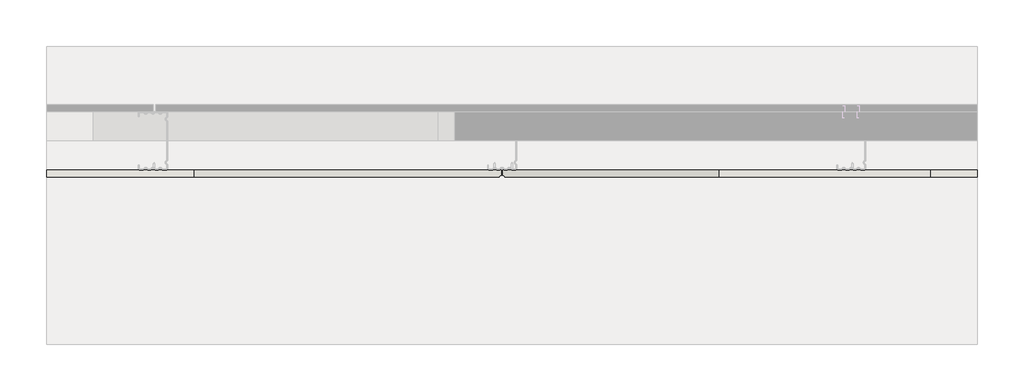
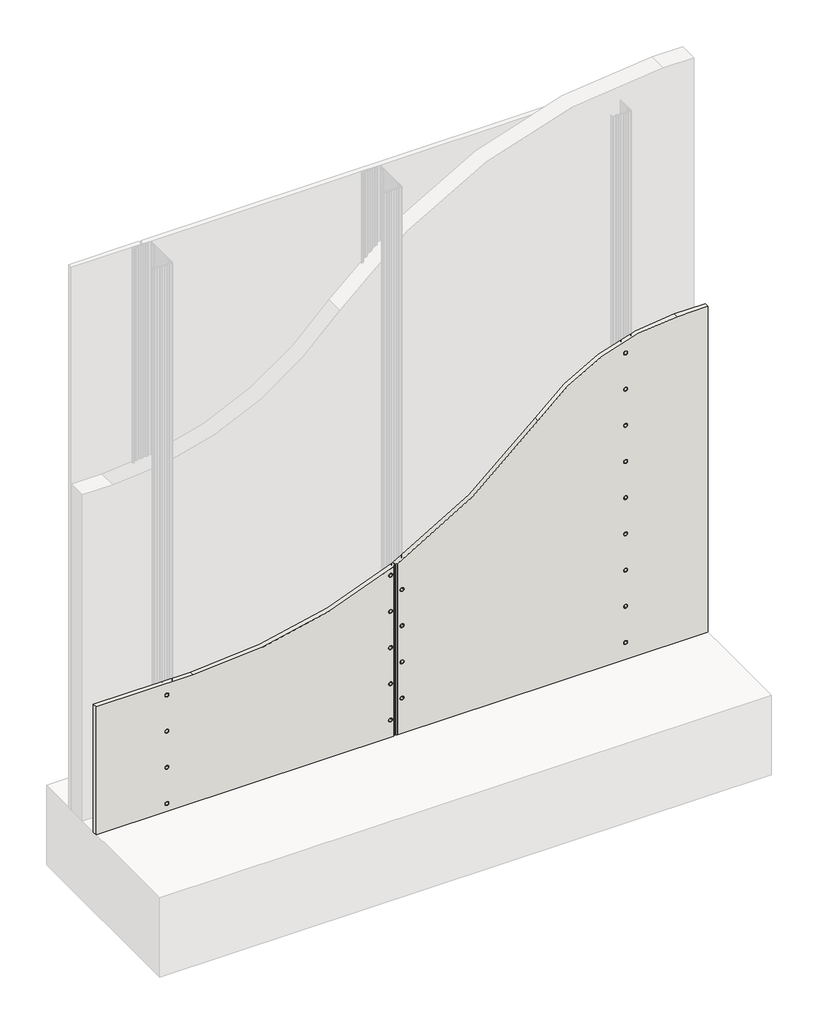
# One storey, part 2 of 3: 1 wall.
"""IFC4 building model written with IfcOpenShell, lengths in millimetres."""

from ifc_helpers import new_model, si_unit, frame, origin, place, context, project, spatial, polyline, circle_curve, ellipse_curve, element, save
from ifc_brep_helpers import plane_surface, cylinder_surface, revolved_surface, advanced_brep

model = new_model("IFC4")

# Units and contexts
model_context = context("Model", 3, world=origin())
ifc_project = project(units=[si_unit("LENGTHUNIT", "METRE", prefix="MILLI")], contexts=[model_context])

# Site, building, storey
site = spatial("IfcSite", under=ifc_project)
building = spatial("IfcBuilding", under=site)
storey = spatial("IfcBuildingStorey", under=building, Elevation=0.0)

# Wall
placement = place(None, origin())
element("IfcWall", 1, at=placement, inside=storey, context=model_context, shape_type="AdvancedBrep", body=[
    advanced_brep(
    [(8391.3841513, 382.143389, 0.0), (8391.3841513, 382.143389, 900.0), (8311.3841513, 382.143389, 900.0), (7947.2568941, 382.143389, 739.8453844), (7579.3099298, 382.143389, 473.3551488), (7579.3099298, 382.143389, 0.0), (7586.3841513, 382.143389, 197.6449286), (7596.3841513, 382.143389, 197.6449286), (7586.3841513, 382.143389, 297.6449286), (7596.3841513, 382.143389, 297.6449286), (7586.3841513, 382.143389, 397.6449286), (7596.3841513, 382.143389, 397.6449286), (7586.3841513, 382.143389, 97.6449286), (7596.3841513, 382.143389, 97.6449286), (8171.3841513, 382.143389, 46.5398923), (8181.3841513, 382.143389, 46.5398923), (8171.3841513, 382.143389, 146.5398923), (8181.3841513, 382.143389, 146.5398923), (8171.3841513, 382.143389, 246.5398923), (8181.3841513, 382.143389, 246.5398923), (8171.3841513, 382.143389, 346.5398923), (8181.3841513, 382.143389, 346.5398923), (8171.3841513, 382.143389, 446.5398923), (8181.3841513, 382.143389, 446.5398923), (8171.3841513, 382.143389, 546.5398923), (8181.3841513, 382.143389, 546.5398923), (8171.3841513, 382.143389, 646.5398923), (8181.3841513, 382.143389, 646.5398923), (8171.3841513, 382.143389, 746.5398923), (8181.3841513, 382.143389, 746.5398923), (8171.3841513, 382.143389, 846.5398923), (8181.3841513, 382.143389, 846.5398923), (8391.3841513, 394.643389, 900.0), (8391.3841513, 394.643389, 0.0), (7575.3099298, 394.643389, 0.0), (7575.3099298, 394.643389, 471.4646789), (7947.2568941, 394.643389, 739.8453844), (8311.3841513, 394.643389, 900.0), (7592.9756328, 394.643389, 197.6449286), (7589.7926697, 394.643389, 197.6449286), (7592.9756328, 394.643389, 297.6449286), (7589.7926697, 394.643389, 297.6449286), (7592.9756328, 394.643389, 397.6449286), (7589.7926697, 394.643389, 397.6449286), (7592.9756328, 394.643389, 97.6449286), (7589.7926697, 394.643389, 97.6449286), (8177.9756328, 394.643389, 46.5398923), (8174.7926697, 394.643389, 46.5398923), (8177.9756328, 394.643389, 146.5398923), (8174.7926697, 394.643389, 146.5398923), (8177.9756328, 394.643389, 246.5398923), (8174.7926697, 394.643389, 246.5398923), (8177.9756328, 394.643389, 346.5398923), (8174.7926697, 394.643389, 346.5398923), (8177.9756328, 394.643389, 446.5398923), (8174.7926697, 394.643389, 446.5398923), (8177.9756328, 394.643389, 546.5398923), (8174.7926697, 394.643389, 546.5398923), (8177.9756328, 394.643389, 646.5398923), (8174.7926697, 394.643389, 646.5398923), (8177.9756328, 394.643389, 746.5398923), (8174.7926697, 394.643389, 746.5398923), (8177.9756328, 394.643389, 846.5398923), (8174.7926697, 394.643389, 846.5398923), (7579.3099298, 383.143389, 0.0), (7576.154, 384.643389, 0.0), (7575.3099298, 384.643389, 0.0), (7575.3099298, 384.643389, 471.4646789), (7576.154, 384.643389, 471.8621539), (7579.3099298, 383.143389, 473.3551488), (7589.5185432, 383.9530311, 197.6449286), (7593.2497593, 383.9530311, 197.6449286), (7589.5185432, 383.9530311, 297.6449286), (7593.2497593, 383.9530311, 297.6449286), (7589.5185432, 383.9530311, 397.6449286), (7593.2497593, 383.9530311, 397.6449286), (7589.5185432, 383.9530311, 97.6449286), (7593.2497593, 383.9530311, 97.6449286), (8174.5185432, 383.9530311, 46.5398923), (8178.2497593, 383.9530311, 46.5398923), (8174.5185432, 383.9530311, 146.5398923), (8178.2497593, 383.9530311, 146.5398923), (8174.5185432, 383.9530311, 246.5398923), (8178.2497593, 383.9530311, 246.5398923), (8174.5185432, 383.9530311, 346.5398923), (8178.2497593, 383.9530311, 346.5398923), (8174.5185432, 383.9530311, 446.5398923), (8178.2497593, 383.9530311, 446.5398923), (8174.5185432, 383.9530311, 546.5398923), (8178.2497593, 383.9530311, 546.5398923), (8174.5185432, 383.9530311, 646.5398923), (8178.2497593, 383.9530311, 646.5398923), (8174.5185432, 383.9530311, 746.5398923), (8178.2497593, 383.9530311, 746.5398923), (8174.5185432, 383.9530311, 846.5398923), (8178.2497593, 383.9530311, 846.5398923)],
    [
        (0, 1),
        (1, 2),
        (2, 3, circle_curve(frame((8311.3841513, 382.143389, 405.9831409), z_axis=(0.0, -1.0, 0.0), x_axis=(-1.0, 0.0, 0.0)), 494.0168591)),
        (3, 4, circle_curve(frame((7045.4993216, 382.143389, 1597.6552537), z_axis=(0.0, 1.0, 0.0), x_axis=(-1.0, 0.0, 0.0)), 1244.5900897)),
        (4, 5),
        (5, 0),
        (6, 7, circle_curve(frame((7591.3841513, 382.143389, 197.6449286), z_axis=(0.0, 1.0, 0.0), x_axis=(1.0, 0.0, 0.0)), 5.0)),
        (7, 6, circle_curve(frame((7591.3841513, 382.143389, 197.6449286), z_axis=(0.0, 1.0, 0.0), x_axis=(1.0, 0.0, 0.0)), 5.0)),
        (8, 9, circle_curve(frame((7591.3841513, 382.143389, 297.6449286), z_axis=(0.0, 1.0, 0.0), x_axis=(1.0, 0.0, 0.0)), 5.0)),
        (9, 8, circle_curve(frame((7591.3841513, 382.143389, 297.6449286), z_axis=(0.0, 1.0, 0.0), x_axis=(1.0, 0.0, 0.0)), 5.0)),
        (10, 11, circle_curve(frame((7591.3841513, 382.143389, 397.6449286), z_axis=(0.0, 1.0, 0.0), x_axis=(1.0, 0.0, 0.0)), 5.0)),
        (11, 10, circle_curve(frame((7591.3841513, 382.143389, 397.6449286), z_axis=(0.0, 1.0, 0.0), x_axis=(1.0, 0.0, 0.0)), 5.0)),
        (12, 13, circle_curve(frame((7591.3841513, 382.143389, 97.6449286), z_axis=(0.0, 1.0, 0.0), x_axis=(1.0, 0.0, 0.0)), 5.0)),
        (13, 12, circle_curve(frame((7591.3841513, 382.143389, 97.6449286), z_axis=(0.0, 1.0, 0.0), x_axis=(1.0, 0.0, 0.0)), 5.0)),
        (14, 15, circle_curve(frame((8176.3841513, 382.143389, 46.5398923), z_axis=(0.0, 1.0, 0.0), x_axis=(1.0, 0.0, 0.0)), 5.0)),
        (15, 14, circle_curve(frame((8176.3841513, 382.143389, 46.5398923), z_axis=(0.0, 1.0, 0.0), x_axis=(1.0, 0.0, 0.0)), 5.0)),
        (16, 17, circle_curve(frame((8176.3841513, 382.143389, 146.5398923), z_axis=(0.0, 1.0, 0.0), x_axis=(1.0, 0.0, 0.0)), 5.0)),
        (17, 16, circle_curve(frame((8176.3841513, 382.143389, 146.5398923), z_axis=(0.0, 1.0, 0.0), x_axis=(1.0, 0.0, 0.0)), 5.0)),
        (18, 19, circle_curve(frame((8176.3841513, 382.143389, 246.5398923), z_axis=(0.0, 1.0, 0.0), x_axis=(1.0, 0.0, 0.0)), 5.0)),
        (19, 18, circle_curve(frame((8176.3841513, 382.143389, 246.5398923), z_axis=(0.0, 1.0, 0.0), x_axis=(1.0, 0.0, 0.0)), 5.0)),
        (20, 21, circle_curve(frame((8176.3841513, 382.143389, 346.5398923), z_axis=(0.0, 1.0, 0.0), x_axis=(1.0, 0.0, 0.0)), 5.0)),
        (21, 20, circle_curve(frame((8176.3841513, 382.143389, 346.5398923), z_axis=(0.0, 1.0, 0.0), x_axis=(1.0, 0.0, 0.0)), 5.0)),
        (22, 23, circle_curve(frame((8176.3841513, 382.143389, 446.5398923), z_axis=(0.0, 1.0, 0.0), x_axis=(1.0, 0.0, 0.0)), 5.0)),
        (23, 22, circle_curve(frame((8176.3841513, 382.143389, 446.5398923), z_axis=(0.0, 1.0, 0.0), x_axis=(1.0, 0.0, 0.0)), 5.0)),
        (24, 25, circle_curve(frame((8176.3841513, 382.143389, 546.5398923), z_axis=(0.0, 1.0, 0.0), x_axis=(1.0, 0.0, 0.0)), 5.0)),
        (25, 24, circle_curve(frame((8176.3841513, 382.143389, 546.5398923), z_axis=(0.0, 1.0, 0.0), x_axis=(1.0, 0.0, 0.0)), 5.0)),
        (26, 27, circle_curve(frame((8176.3841513, 382.143389, 646.5398923), z_axis=(0.0, 1.0, 0.0), x_axis=(1.0, 0.0, 0.0)), 5.0)),
        (27, 26, circle_curve(frame((8176.3841513, 382.143389, 646.5398923), z_axis=(0.0, 1.0, 0.0), x_axis=(1.0, 0.0, 0.0)), 5.0)),
        (28, 29, circle_curve(frame((8176.3841513, 382.143389, 746.5398923), z_axis=(0.0, 1.0, 0.0), x_axis=(1.0, 0.0, 0.0)), 5.0)),
        (29, 28, circle_curve(frame((8176.3841513, 382.143389, 746.5398923), z_axis=(0.0, 1.0, 0.0), x_axis=(1.0, 0.0, 0.0)), 5.0)),
        (30, 31, circle_curve(frame((8176.3841513, 382.143389, 846.5398923), z_axis=(0.0, 1.0, 0.0), x_axis=(1.0, 0.0, 0.0)), 5.0)),
        (31, 30, circle_curve(frame((8176.3841513, 382.143389, 846.5398923), z_axis=(0.0, 1.0, 0.0), x_axis=(1.0, 0.0, 0.0)), 5.0)),
        (32, 33),
        (33, 34),
        (34, 35),
        (35, 36, circle_curve(frame((7045.4993216, 394.643389, 1597.6552537), z_axis=(0.0, -1.0, 0.0), x_axis=(-1.0, 0.0, 0.0)), 1244.5900897)),
        (36, 37, circle_curve(frame((8311.3841513, 394.643389, 405.9831409), z_axis=(0.0, 1.0, 0.0), x_axis=(-1.0, 0.0, 0.0)), 494.0168591)),
        (37, 32),
        (38, 39, circle_curve(frame((7591.3841513, 394.643389, 197.6449286), z_axis=(0.0, -1.0, 0.0), x_axis=(1.0, 0.0, 0.0)), 1.5914815)),
        (39, 38, circle_curve(frame((7591.3841513, 394.643389, 197.6449286), z_axis=(0.0, -1.0, 0.0), x_axis=(1.0, 0.0, 0.0)), 1.5914815)),
        (40, 41, circle_curve(frame((7591.3841513, 394.643389, 297.6449286), z_axis=(0.0, -1.0, 0.0), x_axis=(1.0, 0.0, 0.0)), 1.5914815)),
        (41, 40, circle_curve(frame((7591.3841513, 394.643389, 297.6449286), z_axis=(0.0, -1.0, 0.0), x_axis=(1.0, 0.0, 0.0)), 1.5914815)),
        (42, 43, circle_curve(frame((7591.3841513, 394.643389, 397.6449286), z_axis=(0.0, -1.0, 0.0), x_axis=(1.0, 0.0, 0.0)), 1.5914815)),
        (43, 42, circle_curve(frame((7591.3841513, 394.643389, 397.6449286), z_axis=(0.0, -1.0, 0.0), x_axis=(1.0, 0.0, 0.0)), 1.5914815)),
        (44, 45, circle_curve(frame((7591.3841513, 394.643389, 97.6449286), z_axis=(0.0, -1.0, 0.0), x_axis=(1.0, 0.0, 0.0)), 1.5914815)),
        (45, 44, circle_curve(frame((7591.3841513, 394.643389, 97.6449286), z_axis=(0.0, -1.0, 0.0), x_axis=(1.0, 0.0, 0.0)), 1.5914815)),
        (46, 47, circle_curve(frame((8176.3841513, 394.643389, 46.5398923), z_axis=(0.0, -1.0, 0.0), x_axis=(1.0, 0.0, 0.0)), 1.5914815)),
        (47, 46, circle_curve(frame((8176.3841513, 394.643389, 46.5398923), z_axis=(0.0, -1.0, 0.0), x_axis=(1.0, 0.0, 0.0)), 1.5914815)),
        (48, 49, circle_curve(frame((8176.3841513, 394.643389, 146.5398923), z_axis=(0.0, -1.0, 0.0), x_axis=(1.0, 0.0, 0.0)), 1.5914815)),
        (49, 48, circle_curve(frame((8176.3841513, 394.643389, 146.5398923), z_axis=(0.0, -1.0, 0.0), x_axis=(1.0, 0.0, 0.0)), 1.5914815)),
        (50, 51, circle_curve(frame((8176.3841513, 394.643389, 246.5398923), z_axis=(0.0, -1.0, 0.0), x_axis=(1.0, 0.0, 0.0)), 1.5914815)),
        (51, 50, circle_curve(frame((8176.3841513, 394.643389, 246.5398923), z_axis=(0.0, -1.0, 0.0), x_axis=(1.0, 0.0, 0.0)), 1.5914815)),
        (52, 53, circle_curve(frame((8176.3841513, 394.643389, 346.5398923), z_axis=(0.0, -1.0, 0.0), x_axis=(1.0, 0.0, 0.0)), 1.5914815)),
        (53, 52, circle_curve(frame((8176.3841513, 394.643389, 346.5398923), z_axis=(0.0, -1.0, 0.0), x_axis=(1.0, 0.0, 0.0)), 1.5914815)),
        (54, 55, circle_curve(frame((8176.3841513, 394.643389, 446.5398923), z_axis=(0.0, -1.0, 0.0), x_axis=(1.0, 0.0, 0.0)), 1.5914815)),
        (55, 54, circle_curve(frame((8176.3841513, 394.643389, 446.5398923), z_axis=(0.0, -1.0, 0.0), x_axis=(1.0, 0.0, 0.0)), 1.5914815)),
        (56, 57, circle_curve(frame((8176.3841513, 394.643389, 546.5398923), z_axis=(0.0, -1.0, 0.0), x_axis=(1.0, 0.0, 0.0)), 1.5914815)),
        (57, 56, circle_curve(frame((8176.3841513, 394.643389, 546.5398923), z_axis=(0.0, -1.0, 0.0), x_axis=(1.0, 0.0, 0.0)), 1.5914815)),
        (58, 59, circle_curve(frame((8176.3841513, 394.643389, 646.5398923), z_axis=(0.0, -1.0, 0.0), x_axis=(1.0, 0.0, 0.0)), 1.5914815)),
        (59, 58, circle_curve(frame((8176.3841513, 394.643389, 646.5398923), z_axis=(0.0, -1.0, 0.0), x_axis=(1.0, 0.0, 0.0)), 1.5914815)),
        (60, 61, circle_curve(frame((8176.3841513, 394.643389, 746.5398923), z_axis=(0.0, -1.0, 0.0), x_axis=(1.0, 0.0, 0.0)), 1.5914815)),
        (61, 60, circle_curve(frame((8176.3841513, 394.643389, 746.5398923), z_axis=(0.0, -1.0, 0.0), x_axis=(1.0, 0.0, 0.0)), 1.5914815)),
        (62, 63, circle_curve(frame((8176.3841513, 394.643389, 846.5398923), z_axis=(0.0, -1.0, 0.0), x_axis=(1.0, 0.0, 0.0)), 1.5914815)),
        (63, 62, circle_curve(frame((8176.3841513, 394.643389, 846.5398923), z_axis=(0.0, -1.0, 0.0), x_axis=(1.0, 0.0, 0.0)), 1.5914815)),
        (33, 0),
        (5, 64),
        (64, 65),
        (65, 66),
        (66, 34),
        (32, 1),
        (37, 2),
        (36, 3),
        (35, 67),
        (67, 68, circle_curve(frame((7045.4993216, 384.643389, 1597.6552537), z_axis=(0.0, -1.0, 0.0), x_axis=(-1.0, 0.0, 0.0)), 1244.5900897)),
        (68, 69, ellipse_curve(frame((7045.4993216, 636.8612969, 1597.6552537), z_axis=(-0.42927473522914245, -0.9031739598183451, 0.0), x_axis=(-0.9031739598183451, 0.4292747352291423, 0.0)), 1378.0181284, 1244.5900897)),
        (69, 4),
        (69, 64),
        (68, 65),
        (67, 66),
        (6, 70),
        (70, 71, circle_curve(frame((7591.3841513, 383.9530311, 197.6449286), z_axis=(0.0, 1.0, 0.0), x_axis=(1.0, 0.0, 0.0)), 1.865608)),
        (71, 7),
        (71, 70, circle_curve(frame((7591.3841513, 383.9530311, 197.6449286), z_axis=(0.0, 1.0, 0.0), x_axis=(1.0, 0.0, 0.0)), 1.865608)),
        (70, 39),
        (38, 71),
        (8, 72),
        (72, 73, circle_curve(frame((7591.3841513, 383.9530311, 297.6449286), z_axis=(0.0, 1.0, 0.0), x_axis=(1.0, 0.0, 0.0)), 1.865608)),
        (73, 9),
        (73, 72, circle_curve(frame((7591.3841513, 383.9530311, 297.6449286), z_axis=(0.0, 1.0, 0.0), x_axis=(1.0, 0.0, 0.0)), 1.865608)),
        (72, 41),
        (40, 73),
        (10, 74),
        (74, 75, circle_curve(frame((7591.3841513, 383.9530311, 397.6449286), z_axis=(0.0, 1.0, 0.0), x_axis=(1.0, 0.0, 0.0)), 1.865608)),
        (75, 11),
        (75, 74, circle_curve(frame((7591.3841513, 383.9530311, 397.6449286), z_axis=(0.0, 1.0, 0.0), x_axis=(1.0, 0.0, 0.0)), 1.865608)),
        (74, 43),
        (42, 75),
        (12, 76),
        (76, 77, circle_curve(frame((7591.3841513, 383.9530311, 97.6449286), z_axis=(0.0, 1.0, 0.0), x_axis=(1.0, 0.0, 0.0)), 1.865608)),
        (77, 13),
        (77, 76, circle_curve(frame((7591.3841513, 383.9530311, 97.6449286), z_axis=(0.0, 1.0, 0.0), x_axis=(1.0, 0.0, 0.0)), 1.865608)),
        (76, 45),
        (44, 77),
        (14, 78),
        (78, 79, circle_curve(frame((8176.3841513, 383.9530311, 46.5398923), z_axis=(0.0, 1.0, 0.0), x_axis=(1.0, 0.0, 0.0)), 1.865608)),
        (79, 15),
        (79, 78, circle_curve(frame((8176.3841513, 383.9530311, 46.5398923), z_axis=(0.0, 1.0, 0.0), x_axis=(1.0, 0.0, 0.0)), 1.865608)),
        (78, 47),
        (46, 79),
        (16, 80),
        (80, 81, circle_curve(frame((8176.3841513, 383.9530311, 146.5398923), z_axis=(0.0, 1.0, 0.0), x_axis=(1.0, 0.0, 0.0)), 1.865608)),
        (81, 17),
        (81, 80, circle_curve(frame((8176.3841513, 383.9530311, 146.5398923), z_axis=(0.0, 1.0, 0.0), x_axis=(1.0, 0.0, 0.0)), 1.865608)),
        (80, 49),
        (48, 81),
        (18, 82),
        (82, 83, circle_curve(frame((8176.3841513, 383.9530311, 246.5398923), z_axis=(0.0, 1.0, 0.0), x_axis=(1.0, 0.0, 0.0)), 1.865608)),
        (83, 19),
        (83, 82, circle_curve(frame((8176.3841513, 383.9530311, 246.5398923), z_axis=(0.0, 1.0, 0.0), x_axis=(1.0, 0.0, 0.0)), 1.865608)),
        (82, 51),
        (50, 83),
        (20, 84),
        (84, 85, circle_curve(frame((8176.3841513, 383.9530311, 346.5398923), z_axis=(0.0, 1.0, 0.0), x_axis=(1.0, 0.0, 0.0)), 1.865608)),
        (85, 21),
        (85, 84, circle_curve(frame((8176.3841513, 383.9530311, 346.5398923), z_axis=(0.0, 1.0, 0.0), x_axis=(1.0, 0.0, 0.0)), 1.865608)),
        (84, 53),
        (52, 85),
        (22, 86),
        (86, 87, circle_curve(frame((8176.3841513, 383.9530311, 446.5398923), z_axis=(0.0, 1.0, 0.0), x_axis=(1.0, 0.0, 0.0)), 1.865608)),
        (87, 23),
        (87, 86, circle_curve(frame((8176.3841513, 383.9530311, 446.5398923), z_axis=(0.0, 1.0, 0.0), x_axis=(1.0, 0.0, 0.0)), 1.865608)),
        (86, 55),
        (54, 87),
        (24, 88),
        (88, 89, circle_curve(frame((8176.3841513, 383.9530311, 546.5398923), z_axis=(0.0, 1.0, 0.0), x_axis=(1.0, 0.0, 0.0)), 1.865608)),
        (89, 25),
        (89, 88, circle_curve(frame((8176.3841513, 383.9530311, 546.5398923), z_axis=(0.0, 1.0, 0.0), x_axis=(1.0, 0.0, 0.0)), 1.865608)),
        (88, 57),
        (56, 89),
        (26, 90),
        (90, 91, circle_curve(frame((8176.3841513, 383.9530311, 646.5398923), z_axis=(0.0, 1.0, 0.0), x_axis=(1.0, 0.0, 0.0)), 1.865608)),
        (91, 27),
        (91, 90, circle_curve(frame((8176.3841513, 383.9530311, 646.5398923), z_axis=(0.0, 1.0, 0.0), x_axis=(1.0, 0.0, 0.0)), 1.865608)),
        (90, 59),
        (58, 91),
        (28, 92),
        (92, 93, circle_curve(frame((8176.3841513, 383.9530311, 746.5398923), z_axis=(0.0, 1.0, 0.0), x_axis=(1.0, 0.0, 0.0)), 1.865608)),
        (93, 29),
        (93, 92, circle_curve(frame((8176.3841513, 383.9530311, 746.5398923), z_axis=(0.0, 1.0, 0.0), x_axis=(1.0, 0.0, 0.0)), 1.865608)),
        (92, 61),
        (60, 93),
        (30, 94),
        (94, 95, circle_curve(frame((8176.3841513, 383.9530311, 846.5398923), z_axis=(0.0, 1.0, 0.0), x_axis=(1.0, 0.0, 0.0)), 1.865608)),
        (95, 31),
        (95, 94, circle_curve(frame((8176.3841513, 383.9530311, 846.5398923), z_axis=(0.0, 1.0, 0.0), x_axis=(1.0, 0.0, 0.0)), 1.865608)),
        (94, 63),
        (62, 95),
    ],
    [
        plane_surface(frame((6791.3841513, 382.143389, 0.0), z_axis=(0.0, -1.0, 0.0), x_axis=(1.0, 0.0, 0.0))),
        plane_surface(frame((6791.3841513, 394.643389, 0.0), z_axis=(0.0, 1.0, 0.0), x_axis=(-1.0, 0.0, 0.0))),
        plane_surface(frame((6791.3841513, 382.143389, 0.0), z_axis=(0.0, 0.0, -1.0), x_axis=(0.0, 1.0, 0.0))),
        plane_surface(frame((8391.3841513, 382.143389, 0.0), z_axis=(1.0, 0.0, 0.0), x_axis=(0.0, 1.0, 0.0))),
        plane_surface(frame((8391.3841513, 382.143389, 900.0), z_axis=(0.0, 0.0, 1.0), x_axis=(0.0, 1.0, 0.0))),
        cylinder_surface(frame((8311.3841513, 394.643389, 405.9831409), z_axis=(0.0, -1.0, 0.0), x_axis=(-1.0, 0.0, 0.0)), 494.0168591),
        revolved_surface(polyline([(5800.9092319, 1228.4096641098681, 1597.6552537), (5800.9092319, 45.312929690131796, 1597.6552537)]), (7045.4993216, 394.643389, 1597.6552537), (0.0, 1.0, 0.0)),
        plane_surface(frame((7579.3099298, 382.143389, 1000.0), z_axis=(-1.0, 0.0, 0.0), x_axis=(0.0, 0.0, -1.0))),
        plane_surface(frame((7579.3099298, 383.143389, 1000.0), z_axis=(-0.42927473522914245, -0.9031739598183451, 0.0), x_axis=(0.0, 0.0, -1.0))),
        plane_surface(frame((7576.154, 384.643389, 1000.0), z_axis=(0.0, -1.0, 0.0), x_axis=(0.0, 0.0, -1.0))),
        plane_surface(frame((7575.3099298, 384.643389, 1000.0), z_axis=(-1.0, 0.0, 0.0), x_axis=(0.0, 0.0, -1.0))),
        revolved_surface(polyline([(7596.3841513, 382.143389, 197.6449286), (7593.2497593, 383.9530311, 197.6449286)]), (7591.3841513, 1382.143389, 197.6449286), (0.0, -1.0, 0.0)),
        revolved_surface(polyline([(7593.2497593, 383.9530311, 197.6449286), (7592.6894783, 405.8028125, 197.6449286)]), (7591.3841513, 1382.143389, 197.6449286), (0.0, -1.0, 0.0)),
        revolved_surface(polyline([(7596.3841513, 382.143389, 297.6449286), (7593.2497593, 383.9530311, 297.6449286)]), (7591.3841513, 1382.143389, 297.6449286), (0.0, -1.0, 0.0)),
        revolved_surface(polyline([(7593.2497593, 383.9530311, 297.6449286), (7592.6894783, 405.8028125, 297.6449286)]), (7591.3841513, 1382.143389, 297.6449286), (0.0, -1.0, 0.0)),
        revolved_surface(polyline([(7596.3841513, 382.143389, 397.6449286), (7593.2497593, 383.9530311, 397.6449286)]), (7591.3841513, 1382.143389, 397.6449286), (0.0, -1.0, 0.0)),
        revolved_surface(polyline([(7593.2497593, 383.9530311, 397.6449286), (7592.6894783, 405.8028125, 397.6449286)]), (7591.3841513, 1382.143389, 397.6449286), (0.0, -1.0, 0.0)),
        revolved_surface(polyline([(7596.3841513, 382.143389, 97.6449286), (7593.2497593, 383.9530311, 97.6449286)]), (7591.3841513, 1382.143389, 97.6449286), (0.0, -1.0, 0.0)),
        revolved_surface(polyline([(7593.2497593, 383.9530311, 97.6449286), (7592.6894783, 405.8028125, 97.6449286)]), (7591.3841513, 1382.143389, 97.6449286), (0.0, -1.0, 0.0)),
        revolved_surface(polyline([(8181.3841513, 382.143389, 46.5398923), (8178.2497593, 383.9530311, 46.5398923)]), (8176.3841513, 1382.143389, 46.5398923), (0.0, -1.0, 0.0)),
        revolved_surface(polyline([(8178.2497593, 383.9530311, 46.5398923), (8177.6894783, 405.8028125, 46.5398923)]), (8176.3841513, 1382.143389, 46.5398923), (0.0, -1.0, 0.0)),
        revolved_surface(polyline([(8181.3841513, 382.143389, 146.5398923), (8178.2497593, 383.9530311, 146.5398923)]), (8176.3841513, 1382.143389, 146.5398923), (0.0, -1.0, 0.0)),
        revolved_surface(polyline([(8178.2497593, 383.9530311, 146.5398923), (8177.6894783, 405.8028125, 146.5398923)]), (8176.3841513, 1382.143389, 146.5398923), (0.0, -1.0, 0.0)),
        revolved_surface(polyline([(8181.3841513, 382.143389, 246.5398923), (8178.2497593, 383.9530311, 246.5398923)]), (8176.3841513, 1382.143389, 246.5398923), (0.0, -1.0, 0.0)),
        revolved_surface(polyline([(8178.2497593, 383.9530311, 246.5398923), (8177.6894783, 405.8028125, 246.5398923)]), (8176.3841513, 1382.143389, 246.5398923), (0.0, -1.0, 0.0)),
        revolved_surface(polyline([(8181.3841513, 382.143389, 346.5398923), (8178.2497593, 383.9530311, 346.5398923)]), (8176.3841513, 1382.143389, 346.5398923), (0.0, -1.0, 0.0)),
        revolved_surface(polyline([(8178.2497593, 383.9530311, 346.5398923), (8177.6894783, 405.8028125, 346.5398923)]), (8176.3841513, 1382.143389, 346.5398923), (0.0, -1.0, 0.0)),
        revolved_surface(polyline([(8181.3841513, 382.143389, 446.5398923), (8178.2497593, 383.9530311, 446.5398923)]), (8176.3841513, 1382.143389, 446.5398923), (0.0, -1.0, 0.0)),
        revolved_surface(polyline([(8178.2497593, 383.9530311, 446.5398923), (8177.6894783, 405.8028125, 446.5398923)]), (8176.3841513, 1382.143389, 446.5398923), (0.0, -1.0, 0.0)),
        revolved_surface(polyline([(8181.3841513, 382.143389, 546.5398923), (8178.2497593, 383.9530311, 546.5398923)]), (8176.3841513, 1382.143389, 546.5398923), (0.0, -1.0, 0.0)),
        revolved_surface(polyline([(8178.2497593, 383.9530311, 546.5398923), (8177.6894783, 405.8028125, 546.5398923)]), (8176.3841513, 1382.143389, 546.5398923), (0.0, -1.0, 0.0)),
        revolved_surface(polyline([(8181.3841513, 382.143389, 646.5398923), (8178.2497593, 383.9530311, 646.5398923)]), (8176.3841513, 1382.143389, 646.5398923), (0.0, -1.0, 0.0)),
        revolved_surface(polyline([(8178.2497593, 383.9530311, 646.5398923), (8177.6894783, 405.8028125, 646.5398923)]), (8176.3841513, 1382.143389, 646.5398923), (0.0, -1.0, 0.0)),
        revolved_surface(polyline([(8181.3841513, 382.143389, 746.5398923), (8178.2497593, 383.9530311, 746.5398923)]), (8176.3841513, 1382.143389, 746.5398923), (0.0, -1.0, 0.0)),
        revolved_surface(polyline([(8178.2497593, 383.9530311, 746.5398923), (8177.6894783, 405.8028125, 746.5398923)]), (8176.3841513, 1382.143389, 746.5398923), (0.0, -1.0, 0.0)),
        revolved_surface(polyline([(8181.3841513, 382.143389, 846.5398923), (8178.2497593, 383.9530311, 846.5398923)]), (8176.3841513, 1382.143389, 846.5398923), (0.0, -1.0, 0.0)),
        revolved_surface(polyline([(8178.2497593, 383.9530311, 846.5398923), (8177.6894783, 405.8028125, 846.5398923)]), (8176.3841513, 1382.143389, 846.5398923), (0.0, -1.0, 0.0)),
    ],
    [
        (0, [[1, 2, 3, 4, 5, 6], [7, 8], [9, 10], [11, 12], [13, 14], [15, 16], [17, 18], [19, 20], [21, 22], [23, 24], [25, 26], [27, 28], [29, 30], [31, 32]]),
        (1, [[33, 34, 35, 36, 37, 38], [39, 40], [41, 42], [43, 44], [45, 46], [47, 48], [49, 50], [51, 52], [53, 54], [55, 56], [57, 58], [59, 60], [61, 62], [63, 64]]),
        (2, [[65, -6, 66, 67, 68, 69, -34]]),
        (3, [[-1, -65, -33, 70]]),
        (4, [[-2, -70, -38, 71]]),
        (5, [[-3, -71, -37, 72]]),
        (6, [[-72, -36, 73, 74, 75, 76, -4]]),
        (7, [[-5, -76, 77, -66]]),
        (8, [[-77, -75, 78, -67]]),
        (9, [[-78, -74, 79, -68]]),
        (10, [[-35, -69, -79, -73]]),
        (11, [[80, 81, 82, -7]]),
        (11, [[-80, -8, -82, 83]]),
        (12, [[-81, 84, -39, 85]]),
        (12, [[-83, -85, -40, -84]]),
        (13, [[86, 87, 88, -9]]),
        (13, [[-86, -10, -88, 89]]),
        (14, [[-87, 90, -41, 91]]),
        (14, [[-89, -91, -42, -90]]),
        (15, [[92, 93, 94, -11]]),
        (15, [[-92, -12, -94, 95]]),
        (16, [[-93, 96, -43, 97]]),
        (16, [[-95, -97, -44, -96]]),
        (17, [[98, 99, 100, -13]]),
        (17, [[-98, -14, -100, 101]]),
        (18, [[-99, 102, -45, 103]]),
        (18, [[-101, -103, -46, -102]]),
        (19, [[104, 105, 106, -15]]),
        (19, [[-104, -16, -106, 107]]),
        (20, [[-105, 108, -47, 109]]),
        (20, [[-107, -109, -48, -108]]),
        (21, [[110, 111, 112, -17]]),
        (21, [[-110, -18, -112, 113]]),
        (22, [[-111, 114, -49, 115]]),
        (22, [[-113, -115, -50, -114]]),
        (23, [[116, 117, 118, -19]]),
        (23, [[-116, -20, -118, 119]]),
        (24, [[-117, 120, -51, 121]]),
        (24, [[-119, -121, -52, -120]]),
        (25, [[122, 123, 124, -21]]),
        (25, [[-122, -22, -124, 125]]),
        (26, [[-123, 126, -53, 127]]),
        (26, [[-125, -127, -54, -126]]),
        (27, [[128, 129, 130, -23]]),
        (27, [[-128, -24, -130, 131]]),
        (28, [[-129, 132, -55, 133]]),
        (28, [[-131, -133, -56, -132]]),
        (29, [[134, 135, 136, -25]]),
        (29, [[-134, -26, -136, 137]]),
        (30, [[-135, 138, -57, 139]]),
        (30, [[-137, -139, -58, -138]]),
        (31, [[140, 141, 142, -27]]),
        (31, [[-140, -28, -142, 143]]),
        (32, [[-141, 144, -59, 145]]),
        (32, [[-143, -145, -60, -144]]),
        (33, [[146, 147, 148, -29]]),
        (33, [[-146, -30, -148, 149]]),
        (34, [[-147, 150, -61, 151]]),
        (34, [[-149, -151, -62, -150]]),
        (35, [[152, 153, 154, -31]]),
        (35, [[-152, -32, -154, 155]]),
        (36, [[-153, 156, -63, 157]]),
        (36, [[-155, -157, -64, -156]]),
    ],
),
    advanced_brep(
    [(6791.3841513, 382.143389, 353.065164), (6791.3841513, 382.143389, 0.0), (7569.3099298, 382.143389, 0.0), (7569.3099298, 382.143389, 468.6614813), (7045.4993216, 382.143389, 353.065164), (6971.3841513, 382.143389, 221.5022751), (6981.3841513, 382.143389, 221.5022751), (6971.3841513, 382.143389, 321.5022751), (6981.3841513, 382.143389, 321.5022751), (6971.3841513, 382.143389, 21.5022751), (6981.3841513, 382.143389, 21.5022751), (6971.3841513, 382.143389, 121.5022751), (6981.3841513, 382.143389, 121.5022751), (7556.3841513, 382.143389, 147.5006716), (7566.3841513, 382.143389, 147.5006716), (7556.3841513, 382.143389, 247.5006716), (7566.3841513, 382.143389, 247.5006716), (7556.3841513, 382.143389, 347.5006716), (7566.3841513, 382.143389, 347.5006716), (7556.3841513, 382.143389, 447.5006716), (7566.3841513, 382.143389, 447.5006716), (7556.3841513, 382.143389, 47.5006716), (7566.3841513, 382.143389, 47.5006716), (6791.3841513, 394.643389, 0.0), (6791.3841513, 394.643389, 353.065164), (7045.4993216, 394.643389, 353.065164), (7573.3099298, 394.643389, 470.5259562), (7573.3099298, 394.643389, 0.0), (6977.9756328, 394.643389, 221.5022751), (6974.7926697, 394.643389, 221.5022751), (6977.9756328, 394.643389, 321.5022751), (6974.7926697, 394.643389, 321.5022751), (6977.9756328, 394.643389, 21.5022751), (6974.7926697, 394.643389, 21.5022751), (6977.9756328, 394.643389, 121.5022751), (6974.7926697, 394.643389, 121.5022751), (7562.9756328, 394.643389, 147.5006716), (7559.7926697, 394.643389, 147.5006716), (7562.9756328, 394.643389, 247.5006716), (7559.7926697, 394.643389, 247.5006716), (7562.9756328, 394.643389, 347.5006716), (7559.7926697, 394.643389, 347.5006716), (7562.9756328, 394.643389, 447.5006716), (7559.7926697, 394.643389, 447.5006716), (7562.9756328, 394.643389, 47.5006716), (7559.7926697, 394.643389, 47.5006716), (7573.3099298, 384.643389, 0.0), (7572.4658596, 384.643389, 0.0), (7569.3099298, 383.143389, 0.0), (7569.3099298, 383.143389, 468.6614813), (7572.4658596, 384.643389, 470.1310814), (7573.3099298, 384.643389, 470.5259562), (6974.5185432, 383.9530311, 221.5022751), (6978.2497593, 383.9530311, 221.5022751), (6974.5185432, 383.9530311, 321.5022751), (6978.2497593, 383.9530311, 321.5022751), (6974.5185432, 383.9530311, 21.5022751), (6978.2497593, 383.9530311, 21.5022751), (6974.5185432, 383.9530311, 121.5022751), (6978.2497593, 383.9530311, 121.5022751), (7559.5185432, 383.9530311, 147.5006716), (7563.2497593, 383.9530311, 147.5006716), (7559.5185432, 383.9530311, 247.5006716), (7563.2497593, 383.9530311, 247.5006716), (7559.5185432, 383.9530311, 347.5006716), (7563.2497593, 383.9530311, 347.5006716), (7559.5185432, 383.9530311, 447.5006716), (7563.2497593, 383.9530311, 447.5006716), (7559.5185432, 383.9530311, 47.5006716), (7563.2497593, 383.9530311, 47.5006716)],
    [
        (0, 1),
        (1, 2),
        (2, 3),
        (3, 4, circle_curve(frame((7045.4993216, 382.143389, 1597.6552537), z_axis=(0.0, 1.0, 0.0), x_axis=(-1.0, 0.0, 0.0)), 1244.5900897)),
        (4, 0),
        (5, 6, circle_curve(frame((6976.3841513, 382.143389, 221.5022751), z_axis=(0.0, 1.0, 0.0), x_axis=(1.0, 0.0, 0.0)), 5.0)),
        (6, 5, circle_curve(frame((6976.3841513, 382.143389, 221.5022751), z_axis=(0.0, 1.0, 0.0), x_axis=(1.0, 0.0, 0.0)), 5.0)),
        (7, 8, circle_curve(frame((6976.3841513, 382.143389, 321.5022751), z_axis=(0.0, 1.0, 0.0), x_axis=(1.0, 0.0, 0.0)), 5.0)),
        (8, 7, circle_curve(frame((6976.3841513, 382.143389, 321.5022751), z_axis=(0.0, 1.0, 0.0), x_axis=(1.0, 0.0, 0.0)), 5.0)),
        (9, 10, circle_curve(frame((6976.3841513, 382.143389, 21.5022751), z_axis=(0.0, 1.0, 0.0), x_axis=(1.0, 0.0, 0.0)), 5.0)),
        (10, 9, circle_curve(frame((6976.3841513, 382.143389, 21.5022751), z_axis=(0.0, 1.0, 0.0), x_axis=(1.0, 0.0, 0.0)), 5.0)),
        (11, 12, circle_curve(frame((6976.3841513, 382.143389, 121.5022751), z_axis=(0.0, 1.0, 0.0), x_axis=(1.0, 0.0, 0.0)), 5.0)),
        (12, 11, circle_curve(frame((6976.3841513, 382.143389, 121.5022751), z_axis=(0.0, 1.0, 0.0), x_axis=(1.0, 0.0, 0.0)), 5.0)),
        (13, 14, circle_curve(frame((7561.3841513, 382.143389, 147.5006716), z_axis=(0.0, 1.0, 0.0), x_axis=(1.0, 0.0, 0.0)), 5.0)),
        (14, 13, circle_curve(frame((7561.3841513, 382.143389, 147.5006716), z_axis=(0.0, 1.0, 0.0), x_axis=(1.0, 0.0, 0.0)), 5.0)),
        (15, 16, circle_curve(frame((7561.3841513, 382.143389, 247.5006716), z_axis=(0.0, 1.0, 0.0), x_axis=(1.0, 0.0, 0.0)), 5.0)),
        (16, 15, circle_curve(frame((7561.3841513, 382.143389, 247.5006716), z_axis=(0.0, 1.0, 0.0), x_axis=(1.0, 0.0, 0.0)), 5.0)),
        (17, 18, circle_curve(frame((7561.3841513, 382.143389, 347.5006716), z_axis=(0.0, 1.0, 0.0), x_axis=(1.0, 0.0, 0.0)), 5.0)),
        (18, 17, circle_curve(frame((7561.3841513, 382.143389, 347.5006716), z_axis=(0.0, 1.0, 0.0), x_axis=(1.0, 0.0, 0.0)), 5.0)),
        (19, 20, circle_curve(frame((7561.3841513, 382.143389, 447.5006716), z_axis=(0.0, 1.0, 0.0), x_axis=(1.0, 0.0, 0.0)), 5.0)),
        (20, 19, circle_curve(frame((7561.3841513, 382.143389, 447.5006716), z_axis=(0.0, 1.0, 0.0), x_axis=(1.0, 0.0, 0.0)), 5.0)),
        (21, 22, circle_curve(frame((7561.3841513, 382.143389, 47.5006716), z_axis=(0.0, 1.0, 0.0), x_axis=(1.0, 0.0, 0.0)), 5.0)),
        (22, 21, circle_curve(frame((7561.3841513, 382.143389, 47.5006716), z_axis=(0.0, 1.0, 0.0), x_axis=(1.0, 0.0, 0.0)), 5.0)),
        (23, 24),
        (24, 25),
        (25, 26, circle_curve(frame((7045.4993216, 394.643389, 1597.6552537), z_axis=(0.0, -1.0, 0.0), x_axis=(-1.0, 0.0, 0.0)), 1244.5900897)),
        (26, 27),
        (27, 23),
        (28, 29, circle_curve(frame((6976.3841513, 394.643389, 221.5022751), z_axis=(0.0, -1.0, 0.0), x_axis=(1.0, 0.0, 0.0)), 1.5914815)),
        (29, 28, circle_curve(frame((6976.3841513, 394.643389, 221.5022751), z_axis=(0.0, -1.0, 0.0), x_axis=(1.0, 0.0, 0.0)), 1.5914815)),
        (30, 31, circle_curve(frame((6976.3841513, 394.643389, 321.5022751), z_axis=(0.0, -1.0, 0.0), x_axis=(1.0, 0.0, 0.0)), 1.5914815)),
        (31, 30, circle_curve(frame((6976.3841513, 394.643389, 321.5022751), z_axis=(0.0, -1.0, 0.0), x_axis=(1.0, 0.0, 0.0)), 1.5914815)),
        (32, 33, circle_curve(frame((6976.3841513, 394.643389, 21.5022751), z_axis=(0.0, -1.0, 0.0), x_axis=(1.0, 0.0, 0.0)), 1.5914815)),
        (33, 32, circle_curve(frame((6976.3841513, 394.643389, 21.5022751), z_axis=(0.0, -1.0, 0.0), x_axis=(1.0, 0.0, 0.0)), 1.5914815)),
        (34, 35, circle_curve(frame((6976.3841513, 394.643389, 121.5022751), z_axis=(0.0, -1.0, 0.0), x_axis=(1.0, 0.0, 0.0)), 1.5914815)),
        (35, 34, circle_curve(frame((6976.3841513, 394.643389, 121.5022751), z_axis=(0.0, -1.0, 0.0), x_axis=(1.0, 0.0, 0.0)), 1.5914815)),
        (36, 37, circle_curve(frame((7561.3841513, 394.643389, 147.5006716), z_axis=(0.0, -1.0, 0.0), x_axis=(1.0, 0.0, 0.0)), 1.5914815)),
        (37, 36, circle_curve(frame((7561.3841513, 394.643389, 147.5006716), z_axis=(0.0, -1.0, 0.0), x_axis=(1.0, 0.0, 0.0)), 1.5914815)),
        (38, 39, circle_curve(frame((7561.3841513, 394.643389, 247.5006716), z_axis=(0.0, -1.0, 0.0), x_axis=(1.0, 0.0, 0.0)), 1.5914815)),
        (39, 38, circle_curve(frame((7561.3841513, 394.643389, 247.5006716), z_axis=(0.0, -1.0, 0.0), x_axis=(1.0, 0.0, 0.0)), 1.5914815)),
        (40, 41, circle_curve(frame((7561.3841513, 394.643389, 347.5006716), z_axis=(0.0, -1.0, 0.0), x_axis=(1.0, 0.0, 0.0)), 1.5914815)),
        (41, 40, circle_curve(frame((7561.3841513, 394.643389, 347.5006716), z_axis=(0.0, -1.0, 0.0), x_axis=(1.0, 0.0, 0.0)), 1.5914815)),
        (42, 43, circle_curve(frame((7561.3841513, 394.643389, 447.5006716), z_axis=(0.0, -1.0, 0.0), x_axis=(1.0, 0.0, 0.0)), 1.5914815)),
        (43, 42, circle_curve(frame((7561.3841513, 394.643389, 447.5006716), z_axis=(0.0, -1.0, 0.0), x_axis=(1.0, 0.0, 0.0)), 1.5914815)),
        (44, 45, circle_curve(frame((7561.3841513, 394.643389, 47.5006716), z_axis=(0.0, -1.0, 0.0), x_axis=(1.0, 0.0, 0.0)), 1.5914815)),
        (45, 44, circle_curve(frame((7561.3841513, 394.643389, 47.5006716), z_axis=(0.0, -1.0, 0.0), x_axis=(1.0, 0.0, 0.0)), 1.5914815)),
        (1, 23),
        (27, 46),
        (46, 47),
        (47, 48),
        (48, 2),
        (0, 24),
        (25, 4),
        (3, 49),
        (49, 50, ellipse_curve(frame((7045.4993216, 134.1784386, 1597.6552537), z_axis=(0.42927473523314746, -0.9031739598164416, 0.0), x_axis=(0.9031739598164414, 0.42927473523314735, 0.0)), 1378.0181284, 1244.5900897)),
        (50, 51, circle_curve(frame((7045.4993216, 384.643389, 1597.6552537), z_axis=(0.0, -1.0, 0.0), x_axis=(-1.0, 0.0, 0.0)), 1244.5900897)),
        (51, 26),
        (51, 46),
        (50, 47),
        (49, 48),
        (5, 52),
        (52, 53, circle_curve(frame((6976.3841513, 383.9530311, 221.5022751), z_axis=(0.0, 1.0, 0.0), x_axis=(1.0, 0.0, 0.0)), 1.865608)),
        (53, 6),
        (53, 52, circle_curve(frame((6976.3841513, 383.9530311, 221.5022751), z_axis=(0.0, 1.0, 0.0), x_axis=(1.0, 0.0, 0.0)), 1.865608)),
        (52, 29),
        (28, 53),
        (7, 54),
        (54, 55, circle_curve(frame((6976.3841513, 383.9530311, 321.5022751), z_axis=(0.0, 1.0, 0.0), x_axis=(1.0, 0.0, 0.0)), 1.865608)),
        (55, 8),
        (55, 54, circle_curve(frame((6976.3841513, 383.9530311, 321.5022751), z_axis=(0.0, 1.0, 0.0), x_axis=(1.0, 0.0, 0.0)), 1.865608)),
        (54, 31),
        (30, 55),
        (9, 56),
        (56, 57, circle_curve(frame((6976.3841513, 383.9530311, 21.5022751), z_axis=(0.0, 1.0, 0.0), x_axis=(1.0, 0.0, 0.0)), 1.865608)),
        (57, 10),
        (57, 56, circle_curve(frame((6976.3841513, 383.9530311, 21.5022751), z_axis=(0.0, 1.0, 0.0), x_axis=(1.0, 0.0, 0.0)), 1.865608)),
        (56, 33),
        (32, 57),
        (11, 58),
        (58, 59, circle_curve(frame((6976.3841513, 383.9530311, 121.5022751), z_axis=(0.0, 1.0, 0.0), x_axis=(1.0, 0.0, 0.0)), 1.865608)),
        (59, 12),
        (59, 58, circle_curve(frame((6976.3841513, 383.9530311, 121.5022751), z_axis=(0.0, 1.0, 0.0), x_axis=(1.0, 0.0, 0.0)), 1.865608)),
        (58, 35),
        (34, 59),
        (13, 60),
        (60, 61, circle_curve(frame((7561.3841513, 383.9530311, 147.5006716), z_axis=(0.0, 1.0, 0.0), x_axis=(1.0, 0.0, 0.0)), 1.865608)),
        (61, 14),
        (61, 60, circle_curve(frame((7561.3841513, 383.9530311, 147.5006716), z_axis=(0.0, 1.0, 0.0), x_axis=(1.0, 0.0, 0.0)), 1.865608)),
        (60, 37),
        (36, 61),
        (15, 62),
        (62, 63, circle_curve(frame((7561.3841513, 383.9530311, 247.5006716), z_axis=(0.0, 1.0, 0.0), x_axis=(1.0, 0.0, 0.0)), 1.865608)),
        (63, 16),
        (63, 62, circle_curve(frame((7561.3841513, 383.9530311, 247.5006716), z_axis=(0.0, 1.0, 0.0), x_axis=(1.0, 0.0, 0.0)), 1.865608)),
        (62, 39),
        (38, 63),
        (17, 64),
        (64, 65, circle_curve(frame((7561.3841513, 383.9530311, 347.5006716), z_axis=(0.0, 1.0, 0.0), x_axis=(1.0, 0.0, 0.0)), 1.865608)),
        (65, 18),
        (65, 64, circle_curve(frame((7561.3841513, 383.9530311, 347.5006716), z_axis=(0.0, 1.0, 0.0), x_axis=(1.0, 0.0, 0.0)), 1.865608)),
        (64, 41),
        (40, 65),
        (19, 66),
        (66, 67, circle_curve(frame((7561.3841513, 383.9530311, 447.5006716), z_axis=(0.0, 1.0, 0.0), x_axis=(1.0, 0.0, 0.0)), 1.865608)),
        (67, 20),
        (67, 66, circle_curve(frame((7561.3841513, 383.9530311, 447.5006716), z_axis=(0.0, 1.0, 0.0), x_axis=(1.0, 0.0, 0.0)), 1.865608)),
        (66, 43),
        (42, 67),
        (21, 68),
        (68, 69, circle_curve(frame((7561.3841513, 383.9530311, 47.5006716), z_axis=(0.0, 1.0, 0.0), x_axis=(1.0, 0.0, 0.0)), 1.865608)),
        (69, 22),
        (69, 68, circle_curve(frame((7561.3841513, 383.9530311, 47.5006716), z_axis=(0.0, 1.0, 0.0), x_axis=(1.0, 0.0, 0.0)), 1.865608)),
        (68, 45),
        (44, 69),
    ],
    [
        plane_surface(frame((6791.3841513, 382.143389, 0.0), z_axis=(0.0, -1.0, 0.0), x_axis=(1.0, 0.0, 0.0))),
        plane_surface(frame((6791.3841513, 394.643389, 0.0), z_axis=(0.0, 1.0, 0.0), x_axis=(-1.0, 0.0, 0.0))),
        plane_surface(frame((6791.3841513, 382.143389, 0.0), z_axis=(0.0, 0.0, -1.0), x_axis=(0.0, 1.0, 0.0))),
        plane_surface(frame((6791.3841513, 382.143389, 353.065164), z_axis=(-1.0, 0.0, 0.0), x_axis=(0.0, 1.0, 0.0))),
        revolved_surface(polyline([(5800.9092319, 725.7268058153873, 1597.6552537), (5800.9092319, -457.3699286153873, 1597.6552537)]), (7045.4993216, 394.643389, 1597.6552537), (0.0, 1.0, 0.0)),
        plane_surface(frame((7045.4993216, 382.143389, 353.065164), z_axis=(0.0, 0.0, 1.0), x_axis=(0.0, 1.0, 0.0))),
        plane_surface(frame((7573.3099298, 394.643389, 1000.0), z_axis=(1.0, 0.0, 0.0), x_axis=(0.0, 0.0, -1.0))),
        plane_surface(frame((7573.3099298, 384.643389, 1000.0), z_axis=(0.0, -1.0, 0.0), x_axis=(0.0, 0.0, -1.0))),
        plane_surface(frame((7572.4658596, 384.643389, 1000.0), z_axis=(0.42927473523314746, -0.9031739598164416, 0.0), x_axis=(0.0, 0.0, -1.0))),
        plane_surface(frame((7569.3099298, 383.143389, 1000.0), z_axis=(1.0, 0.0, 0.0), x_axis=(0.0, 0.0, -1.0))),
        revolved_surface(polyline([(6981.3841513, 382.143389, 221.5022751), (6978.2497593, 383.9530311, 221.5022751)]), (6976.3841513, 1382.143389, 221.5022751), (0.0, -1.0, 0.0)),
        revolved_surface(polyline([(6978.2497593, 383.9530311, 221.5022751), (6977.6894783, 405.8028125, 221.5022751)]), (6976.3841513, 1382.143389, 221.5022751), (0.0, -1.0, 0.0)),
        revolved_surface(polyline([(6981.3841513, 382.143389, 321.5022751), (6978.2497593, 383.9530311, 321.5022751)]), (6976.3841513, 1382.143389, 321.5022751), (0.0, -1.0, 0.0)),
        revolved_surface(polyline([(6978.2497593, 383.9530311, 321.5022751), (6977.6894783, 405.8028125, 321.5022751)]), (6976.3841513, 1382.143389, 321.5022751), (0.0, -1.0, 0.0)),
        revolved_surface(polyline([(6981.3841513, 382.143389, 21.5022751), (6978.2497593, 383.9530311, 21.5022751)]), (6976.3841513, 1382.143389, 21.5022751), (0.0, -1.0, 0.0)),
        revolved_surface(polyline([(6978.2497593, 383.9530311, 21.5022751), (6977.6894783, 405.8028125, 21.5022751)]), (6976.3841513, 1382.143389, 21.5022751), (0.0, -1.0, 0.0)),
        revolved_surface(polyline([(6981.3841513, 382.143389, 121.5022751), (6978.2497593, 383.9530311, 121.5022751)]), (6976.3841513, 1382.143389, 121.5022751), (0.0, -1.0, 0.0)),
        revolved_surface(polyline([(6978.2497593, 383.9530311, 121.5022751), (6977.6894783, 405.8028125, 121.5022751)]), (6976.3841513, 1382.143389, 121.5022751), (0.0, -1.0, 0.0)),
        revolved_surface(polyline([(7566.3841513, 382.143389, 147.5006716), (7563.2497593, 383.9530311, 147.5006716)]), (7561.3841513, 1382.143389, 147.5006716), (0.0, -1.0, 0.0)),
        revolved_surface(polyline([(7563.2497593, 383.9530311, 147.5006716), (7562.6894783, 405.8028125, 147.5006716)]), (7561.3841513, 1382.143389, 147.5006716), (0.0, -1.0, 0.0)),
        revolved_surface(polyline([(7566.3841513, 382.143389, 247.5006716), (7563.2497593, 383.9530311, 247.5006716)]), (7561.3841513, 1382.143389, 247.5006716), (0.0, -1.0, 0.0)),
        revolved_surface(polyline([(7563.2497593, 383.9530311, 247.5006716), (7562.6894783, 405.8028125, 247.5006716)]), (7561.3841513, 1382.143389, 247.5006716), (0.0, -1.0, 0.0)),
        revolved_surface(polyline([(7566.3841513, 382.143389, 347.5006716), (7563.2497593, 383.9530311, 347.5006716)]), (7561.3841513, 1382.143389, 347.5006716), (0.0, -1.0, 0.0)),
        revolved_surface(polyline([(7563.2497593, 383.9530311, 347.5006716), (7562.6894783, 405.8028125, 347.5006716)]), (7561.3841513, 1382.143389, 347.5006716), (0.0, -1.0, 0.0)),
        revolved_surface(polyline([(7566.3841513, 382.143389, 447.5006716), (7563.2497593, 383.9530311, 447.5006716)]), (7561.3841513, 1382.143389, 447.5006716), (0.0, -1.0, 0.0)),
        revolved_surface(polyline([(7563.2497593, 383.9530311, 447.5006716), (7562.6894783, 405.8028125, 447.5006716)]), (7561.3841513, 1382.143389, 447.5006716), (0.0, -1.0, 0.0)),
        revolved_surface(polyline([(7566.3841513, 382.143389, 47.5006716), (7563.2497593, 383.9530311, 47.5006716)]), (7561.3841513, 1382.143389, 47.5006716), (0.0, -1.0, 0.0)),
        revolved_surface(polyline([(7563.2497593, 383.9530311, 47.5006716), (7562.6894783, 405.8028125, 47.5006716)]), (7561.3841513, 1382.143389, 47.5006716), (0.0, -1.0, 0.0)),
    ],
    [
        (0, [[1, 2, 3, 4, 5], [6, 7], [8, 9], [10, 11], [12, 13], [14, 15], [16, 17], [18, 19], [20, 21], [22, 23]]),
        (1, [[24, 25, 26, 27, 28], [29, 30], [31, 32], [33, 34], [35, 36], [37, 38], [39, 40], [41, 42], [43, 44], [45, 46]]),
        (2, [[47, -28, 48, 49, 50, 51, -2]]),
        (3, [[-1, 52, -24, -47]]),
        (4, [[53, -4, 54, 55, 56, 57, -26]]),
        (5, [[-5, -53, -25, -52]]),
        (6, [[-27, -57, 58, -48]]),
        (7, [[-58, -56, 59, -49]]),
        (8, [[60, -50, -59, -55]]),
        (9, [[-3, -51, -60, -54]]),
        (10, [[61, 62, 63, -6]]),
        (10, [[-61, -7, -63, 64]]),
        (11, [[-62, 65, -29, 66]]),
        (11, [[-64, -66, -30, -65]]),
        (12, [[67, 68, 69, -8]]),
        (12, [[-67, -9, -69, 70]]),
        (13, [[-68, 71, -31, 72]]),
        (13, [[-70, -72, -32, -71]]),
        (14, [[73, 74, 75, -10]]),
        (14, [[-73, -11, -75, 76]]),
        (15, [[-74, 77, -33, 78]]),
        (15, [[-76, -78, -34, -77]]),
        (16, [[79, 80, 81, -12]]),
        (16, [[-79, -13, -81, 82]]),
        (17, [[-80, 83, -35, 84]]),
        (17, [[-82, -84, -36, -83]]),
        (18, [[85, 86, 87, -14]]),
        (18, [[-85, -15, -87, 88]]),
        (19, [[-86, 89, -37, 90]]),
        (19, [[-88, -90, -38, -89]]),
        (20, [[91, 92, 93, -16]]),
        (20, [[-91, -17, -93, 94]]),
        (21, [[-92, 95, -39, 96]]),
        (21, [[-94, -96, -40, -95]]),
        (22, [[97, 98, 99, -18]]),
        (22, [[-97, -19, -99, 100]]),
        (23, [[-98, 101, -41, 102]]),
        (23, [[-100, -102, -42, -101]]),
        (24, [[103, 104, 105, -20]]),
        (24, [[-103, -21, -105, 106]]),
        (25, [[-104, 107, -43, 108]]),
        (25, [[-106, -108, -44, -107]]),
        (26, [[109, 110, 111, -22]]),
        (26, [[-109, -23, -111, 112]]),
        (27, [[-110, 113, -45, 114]]),
        (27, [[-112, -114, -46, -113]]),
    ],
),
])

save(model, "model.ifc")
